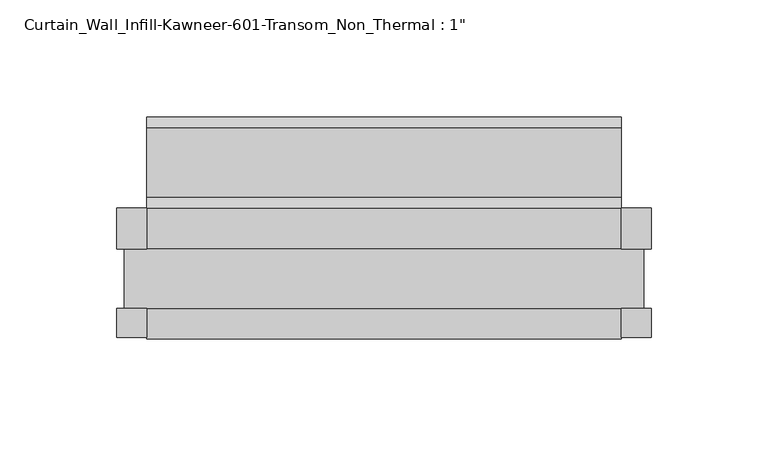
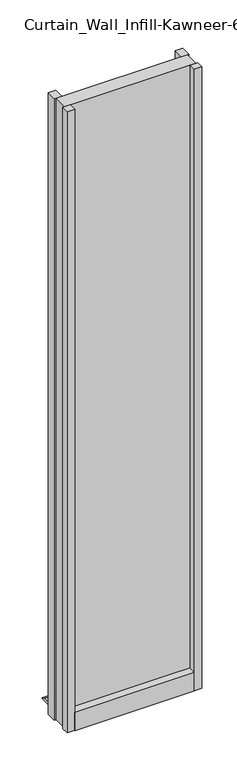
"""IFC4 building model written with IfcOpenShell, lengths in millimetres: plate geometry."""

from ifc_helpers import new_model, si_unit, frame, origin, origin_with_axes, place, context, project, spatial, polyline, outline, extrude, source, transform, mapped, element, save


def plate_b360fb6a(model_context):
    return source(origin(), model_context, "Body", "SweptSolid", [
        extrude(outline(polyline([(101.6, -25.2723869), (101.6, -12.7), (114.3, -12.7), (114.3, -25.2723869), (101.6, -25.2723869)])), origin_with_axes(), (0.0, 0.0, 1.0), 1114.425),
        extrude(outline(polyline([(114.3, 30.2901131), (114.3, 12.7), (101.6, 12.7), (101.6, 30.2901131), (114.3, 30.2901131)])), origin_with_axes(), (0.0, 0.0, 1.0), 1114.425),
        extrude(outline(polyline([(-101.6, -25.2723869), (-114.3, -25.2723869), (-114.3, -12.7), (-101.6, -12.7), (-101.6, -25.2723869)])), origin_with_axes(), (0.0, 0.0, 1.0), 1114.425),
        extrude(outline(polyline([(-114.3, 30.2901131), (-101.6, 30.2901131), (-101.6, 12.7), (-114.3, 12.7), (-114.3, 30.2901131)])), origin_with_axes(), (0.0, 0.0, 1.0), 1114.425),
        extrude(outline(polyline([(-12.7, 33.3375), (-12.7, 23.8125), (12.7, 23.8125), (12.7, 33.3375), (30.2435382, 33.3375), (30.2435382, 6.3122662), (34.9431706, 3.7072174), (64.5512788, 3.7072174), (69.3036182, 0.963453), (69.3036182, 0.0), (-25.625216, 0.0), (-25.625216, 33.3375), (-12.7, 33.3375)])), frame((-101.6, 0.0, 0.0), z_axis=(1.0, 0.0, 0.0), x_axis=(0.0, 1.0, 0.0)), (0.0, 0.0, 1.0), 203.2),
        extrude(outline(polyline([(-111.125, -12.7), (-111.125, 12.7), (111.125, 12.7), (111.125, -12.7), (-111.125, -12.7)])), origin_with_axes(), (0.0, 0.0, 1.0), 1114.425),
    ])


if __name__ == "__main__":
    model = new_model("IFC4")
    model_context = context("Model", 3, world=origin())
    ifc_project = project(units=[si_unit("LENGTHUNIT", "METRE", prefix="MILLI")], contexts=[model_context])
    site = spatial("IfcSite", under=ifc_project)
    building = spatial("IfcBuilding", under=site)
    placement = place(None, origin())
    plate_shape = plate_b360fb6a(model_context)
    element("IfcPlate", 1, ObjectType="Curtain_Wall_Infill-Kawneer-601-Transom_Non_Thermal : 1\"", at=placement, inside=building, context=model_context, shape_type="MappedRepresentation", body=[
        mapped(plate_shape, transform((0.0, 0.0, 0.0), x_axis=(1.0, 0.0, 0.0), y_axis=(0.0, 1.0, 0.0), z_axis=(0.0, 0.0, 1.0))),
    ])
    save(model, "model.ifc")
